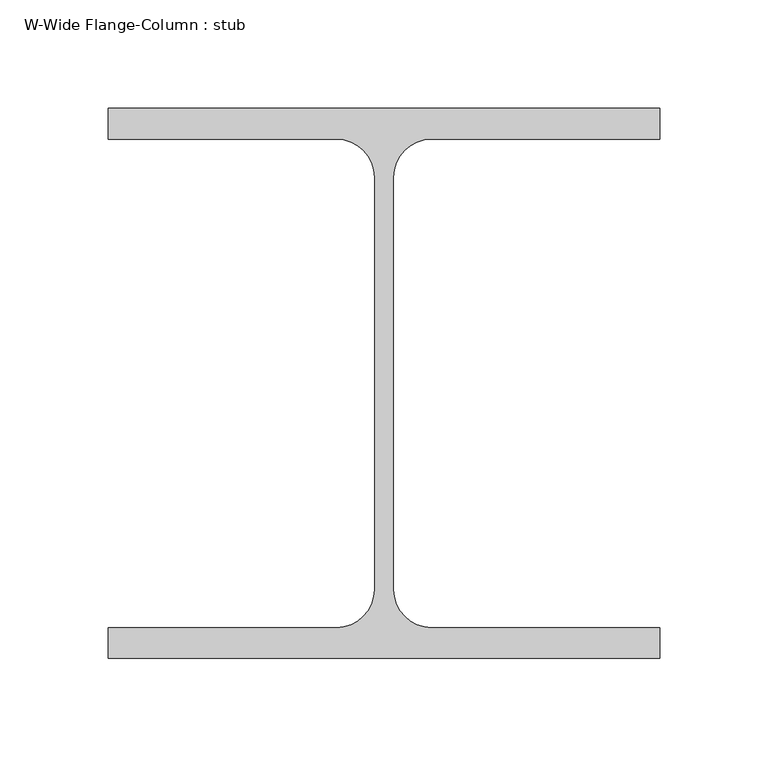
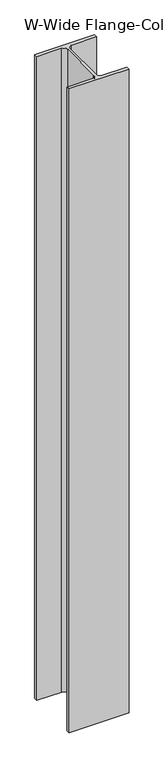
"""IFC4 building model written with IfcOpenShell, lengths in millimetres: column geometry, W-Wide Flange-Column : stub."""

from ifc_helpers import new_model, si_unit, point, frame, frame_2d, origin, place, context, project, spatial, polyline, circle_curve, trimmed, segment, composite_curve, outline, extrude, source, transform, mapped, element, save


def w_wide_flange_column_stub_88d732d4(model_context):
    return source(origin(), model_context, "Body", "SweptSolid", [
        extrude(outline(composite_curve([segment(polyline([(127.0, 126.7519531), (127.0, 112.5636719), (21.8777344, 112.5636719)]), True, "CONTINUOUS"), segment(trimmed(circle_curve(frame_2d((21.8777344, 95.0019531)), 17.5617188), [point((21.8777344, 112.5636719))], [point((4.3160156, 95.0019531))], True, "CARTESIAN"), True, "CONTINUOUS"), segment(polyline([(4.3160156, 95.0019531), (4.3160156, -95.0019531)]), True, "CONTINUOUS"), segment(trimmed(circle_curve(frame_2d((21.8777344, -95.0019531)), 17.5617187), [point((4.3160156, -95.0019531))], [point((21.8777344, -112.5636719))], True, "CARTESIAN"), True, "CONTINUOUS"), segment(polyline([(21.8777344, -112.5636719), (127.0, -112.5636719), (127.0, -126.7519531), (-127.0, -126.7519531), (-127.0, -112.5636719), (-21.8777344, -112.5636719)]), True, "CONTINUOUS"), segment(trimmed(circle_curve(frame_2d((-21.8777344, -95.0019531)), 17.5617187), [point((-21.8777344, -112.5636719))], [point((-4.3160156, -95.0019531))], True, "CARTESIAN"), True, "CONTINUOUS"), segment(polyline([(-4.3160156, -95.0019531), (-4.3160156, 95.0019531)]), True, "CONTINUOUS"), segment(trimmed(circle_curve(frame_2d((-21.8777344, 95.0019531)), 17.5617188), [point((-4.3160156, 95.0019531))], [point((-21.8777344, 112.5636719))], True, "CARTESIAN"), True, "CONTINUOUS"), segment(polyline([(-21.8777344, 112.5636719), (-127.0, 112.5636719), (-127.0, 126.7519531), (127.0, 126.7519531)]), True, "CONTINUOUS")], self_intersect=False)), frame((0.0, 0.0, 400.0), z_axis=(0.0, 0.0, 1.0), x_axis=(1.0, 0.0, 0.0)), (0.0, 0.0, 1.0), 2890.0),
    ])


if __name__ == "__main__":
    model = new_model("IFC4")
    model_context = context("Model", 3, world=origin())
    ifc_project = project(units=[si_unit("LENGTHUNIT", "METRE", prefix="MILLI")], contexts=[model_context])
    site = spatial("IfcSite", under=ifc_project)
    building = spatial("IfcBuilding", under=site)
    placement = place(None, origin())
    w_wide_flange_column_stub_shape = w_wide_flange_column_stub_88d732d4(model_context)
    element("IfcColumn", 1, ObjectType="W-Wide Flange-Column : stub", at=placement, inside=building, context=model_context, shape_type="MappedRepresentation", body=[
        mapped(w_wide_flange_column_stub_shape, transform((0.0, 0.0, 0.0), x_axis=(1.0, 0.0, 0.0), y_axis=(0.0, 1.0, 0.0), z_axis=(0.0, 0.0, 1.0))),
    ])
    save(model, "model.ifc")
